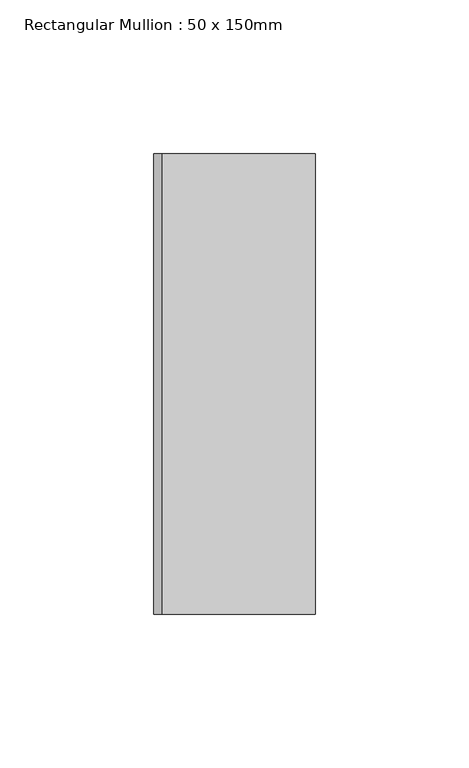
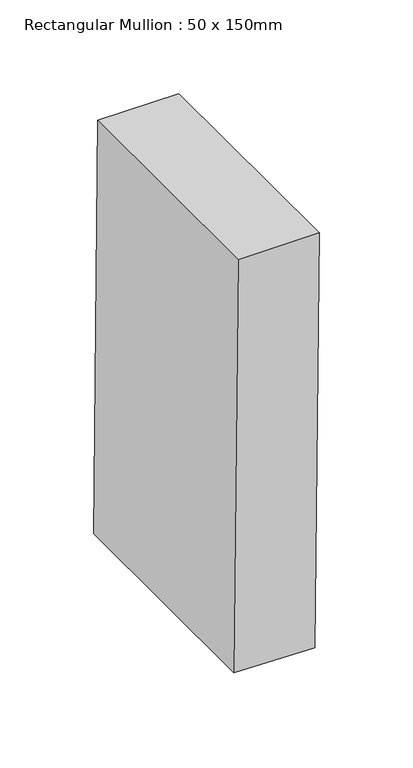
"""IFC4 building model written with IfcOpenShell, lengths in millimetres: member geometry, Rectangular Mullion : 50 x 150mm."""

from ifc_helpers import new_model, si_unit, point, frame, frame_2d, origin, place, context, project, spatial, polyline, circle_curve, trimmed, segment, composite_curve, outline, extrude, source, transform, mapped, element, save


def rectangular_mullion_50_x_150mm_b030967f(model_context):
    return source(origin(), model_context, "Body", "SweptSolid", [
        extrude(outline(composite_curve([segment(trimmed(circle_curve(frame_2d((0.0, -13869.9628563)), 13869.9628563), [point((-269.7210419, -2.6228015))], [point((0.0, 0.0))], False, "CARTESIAN"), True, "CONTINUOUS"), segment(polyline([(0.0, 0.0), (0.0, -50.0)]), True, "CONTINUOUS"), segment(trimmed(circle_curve(frame_2d((0.0, -13869.9628563)), 13819.9628563), [point((0.0, -50.0))], [point((-268.7487212, -52.6133466))], True, "CARTESIAN"), True, "CONTINUOUS"), segment(polyline([(-268.7487212, -52.6133466), (-269.7210419, -2.6228015)]), True, "CONTINUOUS")], self_intersect=False)), frame((0.0, -75.0, 0.0), z_axis=(0.0, 1.0, 0.0), x_axis=(0.0, 0.0, 1.0)), (0.0, 0.0, 1.0), 150.0),
    ])


if __name__ == "__main__":
    model = new_model("IFC4")
    model_context = context("Model", 3, world=origin())
    ifc_project = project(units=[si_unit("LENGTHUNIT", "METRE", prefix="MILLI")], contexts=[model_context])
    site = spatial("IfcSite", under=ifc_project)
    building = spatial("IfcBuilding", under=site)
    placement = place(None, origin())
    rectangular_mullion_50_x_150mm_shape = rectangular_mullion_50_x_150mm_b030967f(model_context)
    element("IfcMember", 1, ObjectType="Rectangular Mullion : 50 x 150mm", at=placement, inside=building, context=model_context, shape_type="MappedRepresentation", body=[
        mapped(rectangular_mullion_50_x_150mm_shape, transform((0.0, 0.0, 0.0), x_axis=(1.0, 0.0, 0.0), y_axis=(0.0, 1.0, 0.0), z_axis=(0.0, 0.0, 1.0))),
    ])
    save(model, "model.ifc")
